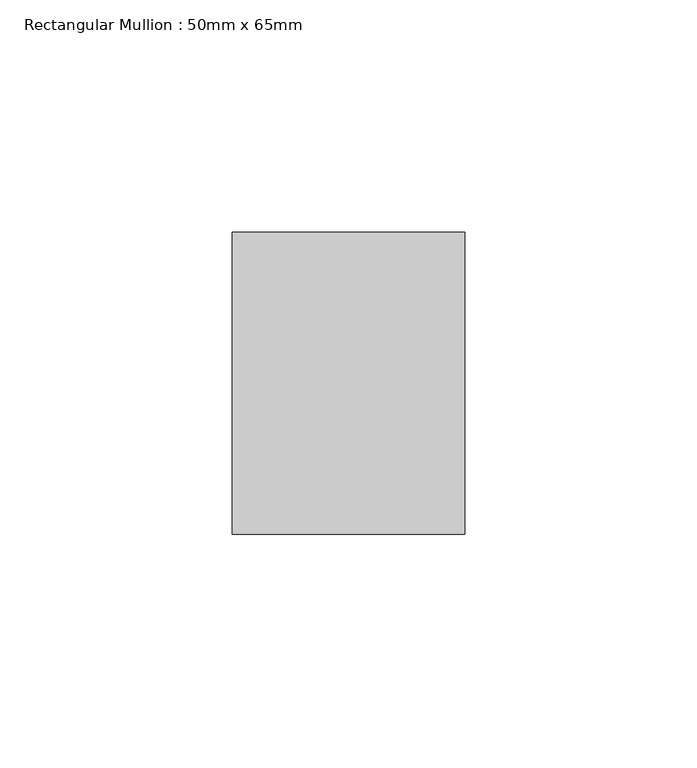
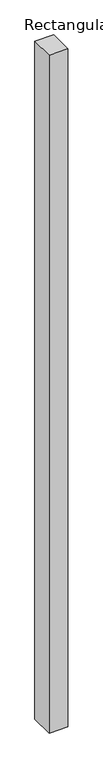
"""IFC4 building model written with IfcOpenShell, lengths in millimetres: member geometry, Rectangular Mullion : 50mm x 65mm."""

from ifc_helpers import new_model, si_unit, frame, origin, place, context, project, spatial, polyline, outline, extrude, source, transform, mapped, element, save


def rectangular_mullion_50mm_x_65mm_56490fcb(model_context):
    return source(origin(), model_context, "Body", "SweptSolid", [
        extrude(outline(polyline([(25.0, 32.5), (25.0, -32.5), (-25.0, -32.5), (-25.0, 32.5), (25.0, 32.5)])), frame((0.0, 0.0, -1897.7015401), z_axis=(0.0, 0.0, 1.0), x_axis=(1.0, 0.0, 0.0)), (0.0, 0.0, 1.0), 1897.7015401),
    ])


if __name__ == "__main__":
    model = new_model("IFC4")
    model_context = context("Model", 3, world=origin())
    ifc_project = project(units=[si_unit("LENGTHUNIT", "METRE", prefix="MILLI")], contexts=[model_context])
    site = spatial("IfcSite", under=ifc_project)
    building = spatial("IfcBuilding", under=site)
    placement = place(None, origin())
    rectangular_mullion_50mm_x_65mm_shape = rectangular_mullion_50mm_x_65mm_56490fcb(model_context)
    element("IfcMember", 1, ObjectType="Rectangular Mullion : 50mm x 65mm", at=placement, inside=building, context=model_context, shape_type="MappedRepresentation", body=[
        mapped(rectangular_mullion_50mm_x_65mm_shape, transform((0.0, 0.0, 0.0), x_axis=(1.0, 0.0, 0.0), y_axis=(0.0, 1.0, 0.0), z_axis=(0.0, 0.0, 1.0))),
    ])
    save(model, "model.ifc")
